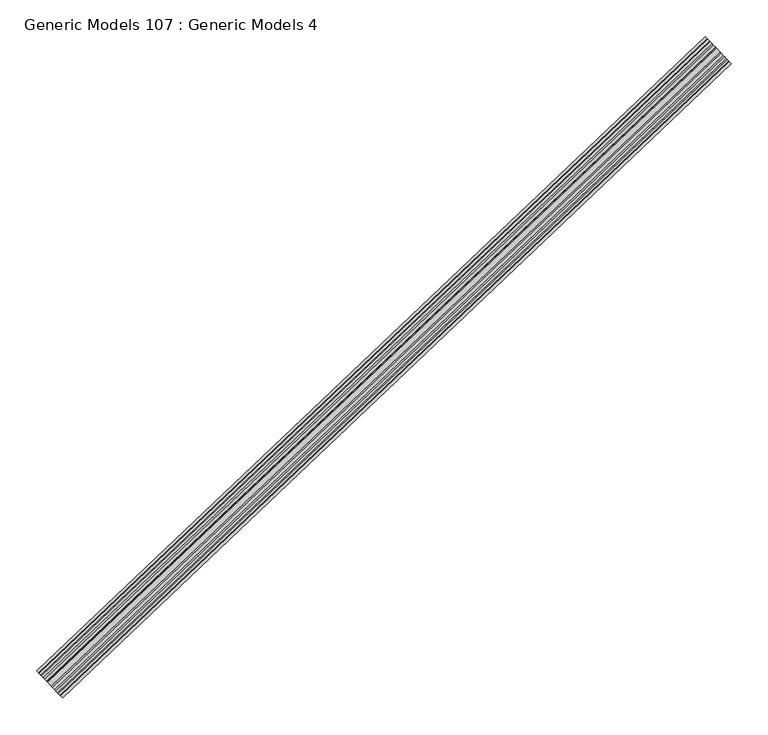
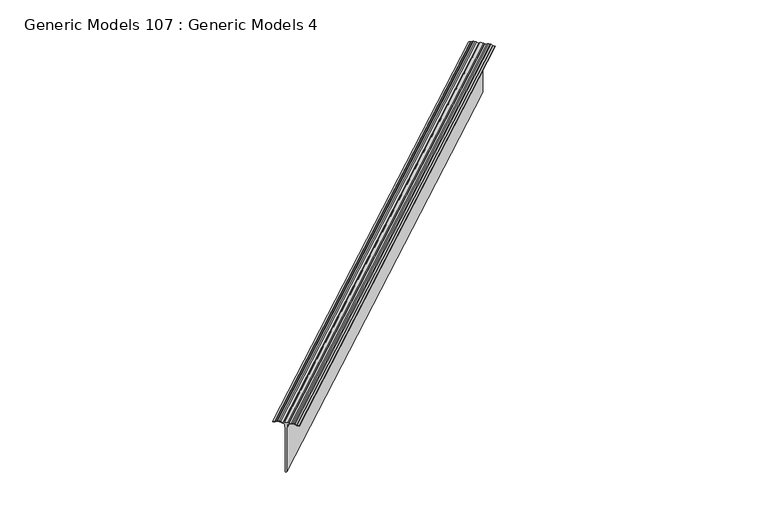
"""IFC4 building model written with IfcOpenShell, lengths in millimetres: proxy geometry, Generic Models 107 : Generic Models 4."""

from ifc_helpers import new_model, si_unit, point, frame, frame_2d, origin, place, context, project, spatial, polyline, circle_curve, trimmed, segment, composite_curve, outline, extrude, source, transform, mapped, element, save


def generic_models_107_generic_models_4_94d3244f(model_context):
    return source(origin(), model_context, "Body", "SweptSolid", [
        extrude(outline(composite_curve([segment(polyline([(0.2907612, -20.2989113), (2.0904889, -16.9994106)]), True, "CONTINUOUS"), segment(trimmed(circle_curve(frame_2d((0.0, -15.859144)), 2.38125), [point((2.0904889, -16.9994106))], [point((2.38125, -15.859144))], True, "CARTESIAN"), True, "CONTINUOUS"), segment(polyline([(2.38125, -15.859144), (2.38125, -12.4158864)]), True, "CONTINUOUS"), segment(trimmed(circle_curve(frame_2d((-3.175, -12.4158864)), 5.55625), [point((2.38125, -12.4158864))], [point((1.9319996, -10.2271724))], True, "CARTESIAN"), True, "CONTINUOUS"), segment(polyline([(1.9319996, -10.2271724), (0.1925359, -6.1684237)]), True, "CONTINUOUS"), segment(trimmed(circle_curve(frame_2d((2.38125, -5.2304034)), 2.38125), [point((0.1925359, -6.1684237))], [point((0.0, -5.2304034))], False, "CARTESIAN"), True, "CONTINUOUS"), segment(polyline([(0.0, -5.2304034), (0.0, -2.778125), (-0.79375, -2.38125), (-7.14375, -2.38125), (-7.8241071, -1.5875), (-105.965625, -1.5875), (-107.15625, 0.0), (-105.965625, 1.5875), (-7.8241071, 1.5875), (-7.14375, 2.38125), (-0.79375, 2.38125), (0.0, 2.778125), (0.0, 5.2304034)]), True, "CONTINUOUS"), segment(trimmed(circle_curve(frame_2d((2.38125, 5.2304034)), 2.38125), [point((0.0, 5.2304034))], [point((0.1925359, 6.1684237))], False, "CARTESIAN"), True, "CONTINUOUS"), segment(polyline([(0.1925359, 6.1684237), (1.9319996, 10.2271723)]), True, "CONTINUOUS"), segment(trimmed(circle_curve(frame_2d((-3.175, 12.4158864)), 5.55625), [point((1.9319996, 10.2271723))], [point((2.38125, 12.4158864))], True, "CARTESIAN"), True, "CONTINUOUS"), segment(polyline([(2.38125, 12.4158864), (2.38125, 15.859144)]), True, "CONTINUOUS"), segment(trimmed(circle_curve(frame_2d((0.0, 15.859144)), 2.38125), [point((2.38125, 15.859144))], [point((2.0904889, 16.9994106))], True, "CARTESIAN"), True, "CONTINUOUS"), segment(polyline([(2.0904889, 16.9994106), (0.2907612, 20.2989114)]), True, "CONTINUOUS"), segment(trimmed(circle_curve(frame_2d((2.38125, 21.439178)), 2.38125), [point((0.2907612, 20.2989114))], [point((0.0, 21.439178))], False, "CARTESIAN"), True, "CONTINUOUS"), segment(polyline([(0.0, 21.439178), (0.0, 25.4), (0.79375, 25.4), (0.79375, 21.439178)]), True, "CONTINUOUS"), segment(trimmed(circle_curve(frame_2d((2.38125, 21.439178)), 1.5875), [point((0.79375, 21.439178))], [point((0.9875908, 20.6790002))], True, "CARTESIAN"), True, "CONTINUOUS"), segment(polyline([(0.9875908, 20.6790002), (2.7873185, 17.3794995)]), True, "CONTINUOUS"), segment(trimmed(circle_curve(frame_2d((0.0, 15.859144)), 3.175), [point((2.7873185, 17.3794995))], [point((3.175, 15.859144))], False, "CARTESIAN"), True, "CONTINUOUS"), segment(polyline([(3.175, 15.859144), (3.175, 12.4158864)]), True, "CONTINUOUS"), segment(trimmed(circle_curve(frame_2d((-3.175, 12.4158864)), 6.35), [point((3.175, 12.4158864))], [point((2.661571, 9.9144989))], False, "CARTESIAN"), True, "CONTINUOUS"), segment(polyline([(2.661571, 9.9144989), (0.79375, 5.55625), (0.79375, 4.7625001)]), True, "CONTINUOUS"), segment(trimmed(circle_curve(frame_2d((2.3688477, 1.8355469)), 3.3238513), [point((0.79375, 4.7625001))], [point((2.38125, 5.159375))], False, "CARTESIAN"), True, "CONTINUOUS"), segment(polyline([(2.38125, 5.159375), (3.175, 3.571875), (3.175, -3.571875), (2.38125, -5.159375)]), True, "CONTINUOUS"), segment(trimmed(circle_curve(frame_2d((2.3688477, -1.8355468)), 3.3238513), [point((2.38125, -5.159375))], [point((0.79375, -4.7625))], False, "CARTESIAN"), True, "CONTINUOUS"), segment(polyline([(0.79375, -4.7625), (0.79375, -5.55625), (2.661571, -9.9144989)]), True, "CONTINUOUS"), segment(trimmed(circle_curve(frame_2d((-3.175, -12.4158864)), 6.35), [point((2.661571, -9.9144989))], [point((3.175, -12.4158864))], False, "CARTESIAN"), True, "CONTINUOUS"), segment(polyline([(3.175, -12.4158864), (3.175, -15.859144)]), True, "CONTINUOUS"), segment(trimmed(circle_curve(frame_2d((0.0, -15.859144)), 3.175), [point((3.175, -15.859144))], [point((2.7873185, -17.3794995))], False, "CARTESIAN"), True, "CONTINUOUS"), segment(polyline([(2.7873185, -17.3794995), (0.9875908, -20.6790002)]), True, "CONTINUOUS"), segment(trimmed(circle_curve(frame_2d((2.38125, -21.439178)), 1.5875), [point((0.9875908, -20.6790002))], [point((0.79375, -21.439178))], True, "CARTESIAN"), True, "CONTINUOUS"), segment(polyline([(0.79375, -21.439178), (0.79375, -25.4), (0.0, -25.4), (0.0, -21.439178)]), True, "CONTINUOUS"), segment(trimmed(circle_curve(frame_2d((2.38125, -21.439178)), 2.38125), [point((0.0, -21.439178))], [point((0.2907612, -20.2989113))], False, "CARTESIAN"), True, "CONTINUOUS")], self_intersect=False)), frame((101837.8494433, 42714.5536178, 17406.3446651), z_axis=(0.7253743710121912, 0.6883545756938556, 0.0), x_axis=(0.0, 0.0, 1.0)), (0.0, 0.0, 1.0), 1252.5375),
    ])


if __name__ == "__main__":
    model = new_model("IFC4")
    model_context = context("Model", 3, world=origin())
    ifc_project = project(units=[si_unit("LENGTHUNIT", "METRE", prefix="MILLI")], contexts=[model_context])
    site = spatial("IfcSite", under=ifc_project)
    building = spatial("IfcBuilding", under=site)
    placement = place(None, origin())
    generic_models_107_generic_models_4_shape = generic_models_107_generic_models_4_94d3244f(model_context)
    element("IfcBuildingElementProxy", 1, Name="Generic Models 107 : Generic Models 4", ObjectType="Generic Models 107 : Generic Models 4", at=placement, inside=building, context=model_context, shape_type="MappedRepresentation", body=[
        mapped(generic_models_107_generic_models_4_shape, transform((0.0, 0.0, 0.0), x_axis=(1.0, 0.0, 0.0), y_axis=(0.0, 1.0, 0.0), z_axis=(0.0, 0.0, 1.0))),
    ])
    save(model, "model.ifc")
